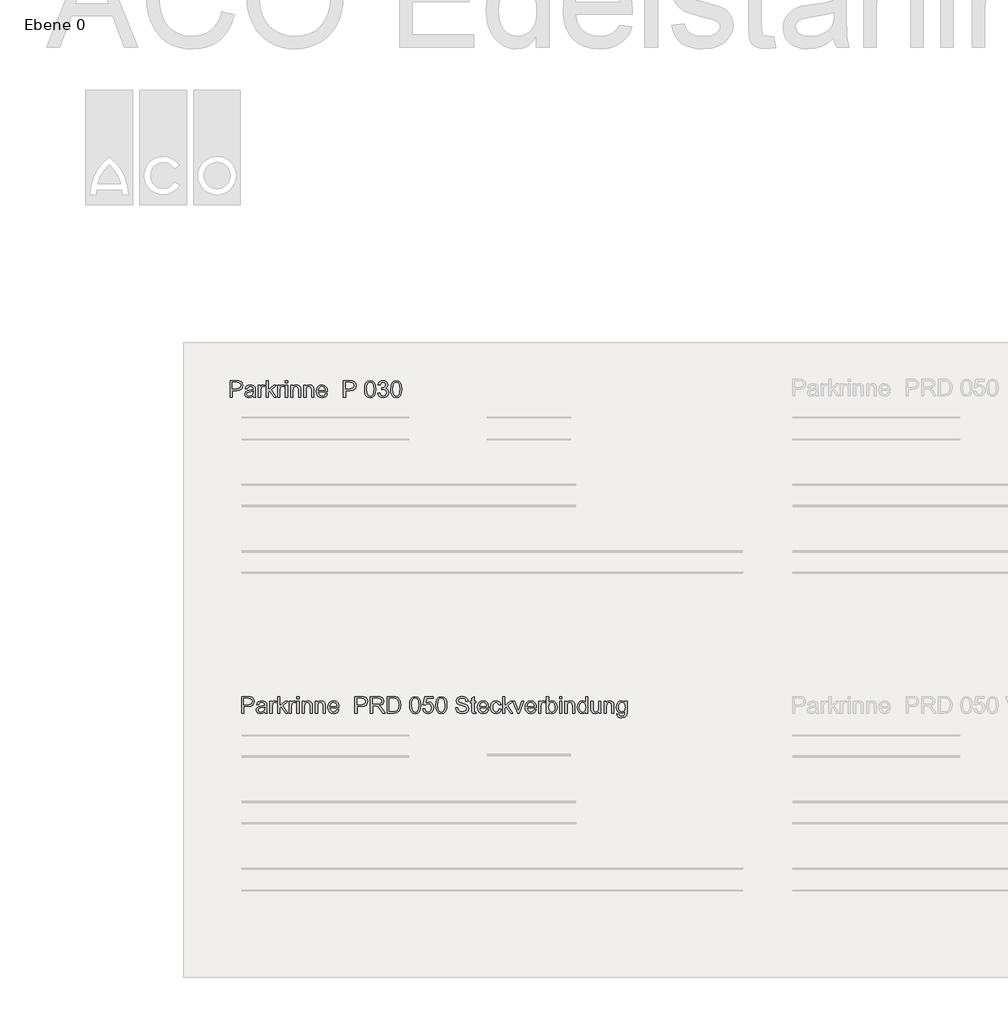
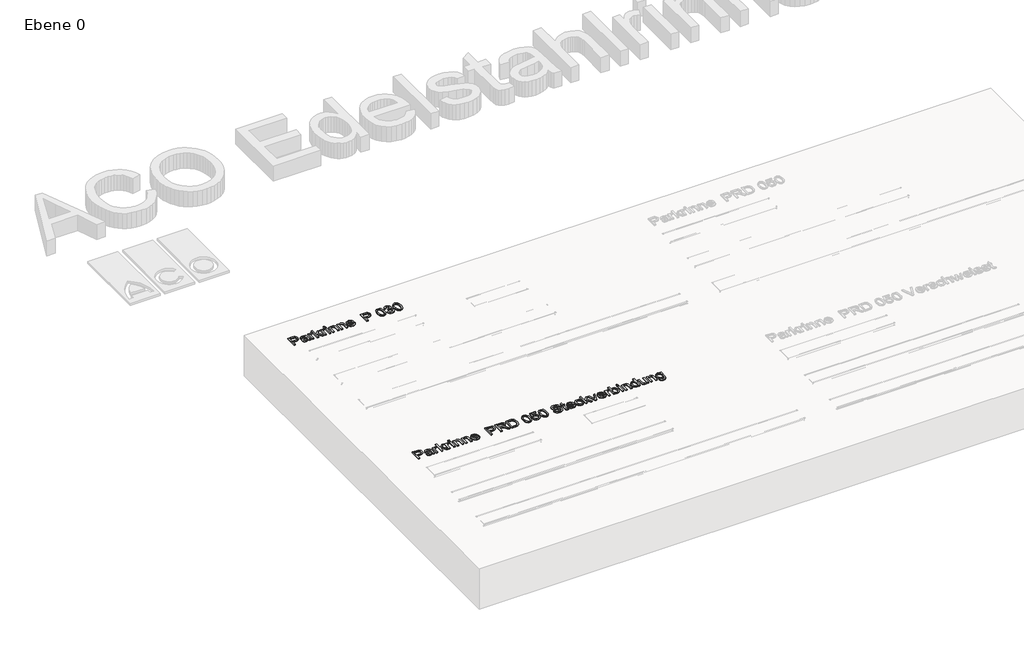
# One storey, part 6 of 8: 2 proxies.
"""IFC4 building model written with IfcOpenShell, lengths in millimetres."""

from ifc_helpers import new_model, si_unit, origin, origin_with_axes, place, context, project, spatial, polyline, outline, extrude, element, save

model = new_model("IFC4")

# Units and contexts
model_context = context("Model", 3, world=origin())
ifc_project = project(units=[si_unit("LENGTHUNIT", "METRE", prefix="MILLI")], contexts=[model_context])

# Site, building, storey
site = spatial("IfcSite", under=ifc_project)
building = spatial("IfcBuilding", under=site)
storey = spatial("IfcBuildingStorey", under=building, Name="Ebene 0", Elevation=0.0)

# Proxies
placement = place(None, origin())
element("IfcBuildingElementProxy", 1, Name="100mm ACO", ObjectType="100mm ACO", at=placement, inside=storey, context=model_context, shape_type="SweptSolid", body=[
    extrude(outline(polyline([(1726.6548451, 19922.750636), (1764.4322357, 19922.750636), (1779.8284141, 19921.8629546), (1791.8193887, 19917.2499219), (1800.1868769, 19907.1361752), (1803.0245469, 19893.7627461), (1800.7871533, 19881.2588082), (1794.0749725, 19871.5125033), (1782.4296116, 19865.2368871), (1765.3926778, 19863.145015), (1739.6935747, 19863.145015), (1739.6935747, 19822.1661507), (1726.6548451, 19822.1661507), (1726.6548451, 19922.750636)]), holes=[polyline([(1739.6935747, 19874.321069), (1765.9165553, 19874.321069), (1783.9685018, 19879.0868993), (1788.4814884, 19885.0441871), (1789.9858173, 19893.3843901), (1786.8571043, 19904.4294747), (1779.1735672, 19910.3958576), (1765.6255123, 19911.5745821), (1739.6935747, 19911.5745821), (1739.6935747, 19874.321069)])]), origin_with_axes(), (0.0, 0.0, 1.0), 10.0),
    extrude(outline(polyline([(1881.2569244, 19822.1661507), (1868.2181948, 19822.1661507), (1864.4928435, 19830.9556514), (1851.9270589, 19822.9665191), (1838.38628, 19820.303475), (1828.341656, 19821.7586904), (1820.6763091, 19826.1243364), (1815.8195279, 19832.8765357), (1814.2006008, 19841.4914106), (1815.7867856, 19849.8479847), (1820.5453398, 19856.5819938), (1829.2256994, 19861.5042597), (1842.5773002, 19864.4256046), (1853.9861886, 19866.171863), (1864.4928435, 19868.733042), (1864.1581439, 19876.8094872), (1862.2081554, 19881.713563), (1857.0130365, 19885.8027181), (1847.3795109, 19887.3597985), (1835.2284627, 19884.2019812), (1829.102006, 19872.4583933), (1816.0632765, 19874.0591302), (1819.6394682, 19883.9254903), (1826.351649, 19890.9978369), (1836.1925429, 19895.2543418), (1849.1548736, 19896.6731768), (1868.52379, 19892.7877518), (1876.1200142, 19883.4161649), (1877.5315731, 19869.2860238), (1877.5315731, 19852.6674645), (1878.0845549, 19832.2944495), (1881.2569244, 19822.1661507)]), holes=[polyline([(1864.4928435, 19854.7629746), (1864.4928435, 19859.4196637), (1841.0784284, 19854.0644712), (1830.6991049, 19849.9825922), (1827.2393304, 19841.6951407), (1830.9646817, 19833.0220572), (1841.704171, 19829.6168533), (1857.6096748, 19835.3212975), (1862.7720513, 19843.0339388), (1864.4928435, 19854.7629746)])]), origin_with_axes(), (0.0, 0.0, 1.0), 10.0),
    extrude(outline(polyline([(1935.2745183, 19893.8209547), (1931.1999153, 19885.4971229), (1922.643249, 19887.3597985), (1916.8151116, 19885.7226813), (1912.6022631, 19880.8113295), (1909.1970592, 19862.475616), (1909.1970592, 19822.1661507), (1896.1583296, 19822.1661507), (1896.1583296, 19894.8105012), (1907.3343835, 19894.8105012), (1907.3343835, 19884.0419075), (1914.3048651, 19893.5153595), (1922.7887706, 19896.6731768), (1935.2745183, 19893.8209547)])), origin_with_axes(), (0.0, 0.0, 1.0), 10.0),
    extrude(outline(polyline([(2004.1935175, 19822.1661507), (1991.2421009, 19822.1661507), (1964.9900159, 19860.3510016), (1955.7639505, 19851.9689611), (1955.7639505, 19822.1661507), (1942.7252209, 19822.1661507), (1942.7252209, 19922.750636), (1955.7639505, 19922.750636), (1955.7639505, 19866.4338017), (1986.9346634, 19894.8105012), (2002.7965108, 19894.8105012), (1972.9354917, 19867.6270783), (2004.1935175, 19822.1661507)])), origin_with_axes(), (0.0, 0.0, 1.0), 10.0),
    extrude(outline(polyline([(2050.7604089, 19893.8209547), (2046.6858059, 19885.4971229), (2038.1291396, 19887.3597985), (2032.3010021, 19885.7226813), (2028.0881537, 19880.8113295), (2024.6829497, 19862.475616), (2024.6829497, 19822.1661507), (2011.6442201, 19822.1661507), (2011.6442201, 19894.8105012), (2022.8202741, 19894.8105012), (2022.8202741, 19884.0419075), (2029.7907556, 19893.5153595), (2038.2746611, 19896.6731768), (2050.7604089, 19893.8209547)])), origin_with_axes(), (0.0, 0.0, 1.0), 10.0),
    extrude(outline(polyline([(2071.2498411, 19822.1661507), (2058.2111115, 19822.1661507), (2058.2111115, 19894.8105012), (2071.2498411, 19894.8105012), (2071.2498411, 19822.1661507)])), origin_with_axes(), (0.0, 0.0, 1.0), 10.0),
    extrude(outline(polyline([(2071.2498411, 19909.7119064), (2058.2111115, 19909.7119064), (2058.2111115, 19922.750636), (2071.2498411, 19922.750636), (2071.2498411, 19909.7119064)])), origin_with_axes(), (0.0, 0.0, 1.0), 10.0),
    extrude(outline(polyline([(2149.4822185, 19822.1661507), (2136.443489, 19822.1661507), (2136.443489, 19867.3942439), (2132.558064, 19883.0814654), (2121.7458139, 19887.3597985), (2111.6611715, 19884.6239937), (2104.9089722, 19876.9113523), (2102.9153272, 19862.8248677), (2102.9153272, 19822.1661507), (2089.8765976, 19822.1661507), (2089.8765976, 19894.8105012), (2101.0526515, 19894.8105012), (2101.0526515, 19884.7113066), (2111.0063246, 19893.6899853), (2124.3360972, 19896.6731768), (2135.7740899, 19894.606771), (2144.6217993, 19888.4221058), (2148.6527458, 19879.632605), (2149.4822185, 19867.0158879), (2149.4822185, 19822.1661507)])), origin_with_axes(), (0.0, 0.0, 1.0), 10.0),
    extrude(outline(polyline([(2227.714596, 19822.1661507), (2214.6758664, 19822.1661507), (2214.6758664, 19867.3942439), (2210.7904414, 19883.0814654), (2199.9781914, 19887.3597985), (2189.8935489, 19884.6239937), (2183.1413497, 19876.9113523), (2181.1477047, 19862.8248677), (2181.1477047, 19822.1661507), (2168.1089751, 19822.1661507), (2168.1089751, 19894.8105012), (2179.285029, 19894.8105012), (2179.285029, 19884.7113066), (2189.238702, 19893.6899853), (2202.5684747, 19896.6731768), (2214.0064674, 19894.606771), (2222.8541767, 19888.4221058), (2226.8851233, 19879.632605), (2227.714596, 19867.0158879), (2227.714596, 19822.1661507)])), origin_with_axes(), (0.0, 0.0, 1.0), 10.0),
    extrude(outline(polyline([(2309.6723248, 19855.6943124), (2255.6547308, 19855.6943124), (2257.7393268, 19844.5037064), (2262.4796908, 19836.3108439), (2269.3010128, 19831.2903509), (2277.6284827, 19829.6168533), (2289.3720706, 19833.3276524), (2296.6335952, 19844.5182585), (2309.6723248, 19843.0048345), (2305.2702983, 19833.3276524), (2298.2925407, 19826.182545), (2288.9937146, 19821.7732425), (2277.6284827, 19820.303475), (2262.9562739, 19822.8246356), (2251.8857231, 19830.3881174), (2244.9334317, 19842.3172453), (2242.6160012, 19857.9353441), (2244.8497568, 19873.564357), (2251.5510235, 19885.9336875), (2262.3123411, 19893.9883045), (2276.7262492, 19896.6731768), (2292.0351147, 19893.1952121), (2304.5354146, 19881.3497591), (2308.3880972, 19870.7521533), (2309.6723248, 19855.6943124)]), holes=[polyline([(2296.6335952, 19865.0076907), (2294.5380851, 19875.2233025), (2289.7649787, 19882.1210233), (2276.4061018, 19887.3597985), (2268.5042824, 19885.8027181), (2262.1449913, 19881.1314768), (2255.6547308, 19865.0076907), (2296.6335952, 19865.0076907)])]), origin_with_axes(), (0.0, 0.0, 1.0), 10.0),
    extrude(outline(polyline([(2404.6687832, 19922.750636), (2442.4461738, 19922.750636), (2457.8423522, 19921.8629546), (2469.8333267, 19917.2499219), (2478.200815, 19907.1361752), (2481.038485, 19893.7627461), (2478.8010914, 19881.2588082), (2472.0889105, 19871.5125033), (2460.4435497, 19865.2368871), (2443.4066159, 19863.145015), (2417.7075127, 19863.145015), (2417.7075127, 19822.1661507), (2404.6687832, 19822.1661507), (2404.6687832, 19922.750636)]), holes=[polyline([(2417.7075127, 19874.321069), (2443.9304934, 19874.321069), (2461.9824399, 19879.0868993), (2466.4954265, 19885.0441871), (2467.9997554, 19893.3843901), (2464.8710424, 19904.4294747), (2457.1875053, 19910.3958576), (2443.6394504, 19911.5745821), (2417.7075127, 19911.5745821), (2417.7075127, 19874.321069)])]), origin_with_axes(), (0.0, 0.0, 1.0), 10.0),
    extrude(outline(polyline([(2564.8297851, 19922.750636), (2579.511089, 19919.5455242), (2589.9977347, 19909.9301887), (2596.289722, 19893.9046296), (2598.3870512, 19871.4688469), (2596.2187803, 19848.8657144), (2589.7139677, 19832.9201921), (2579.1563803, 19823.4576543), (2564.8297851, 19820.303475), (2550.1739475, 19823.5013107), (2539.705492, 19833.094818), (2533.4244187, 19849.0839967), (2531.3307276, 19871.4688469), (2533.4989985, 19894.0683413), (2540.0038111, 19910.0611581), (2550.5468464, 19919.5782665), (2564.8297851, 19922.750636)]), holes=[polyline([(2564.8588894, 19829.6168533), (2573.7502552, 19832.0652531), (2580.1677549, 19839.4104526), (2584.0531799, 19852.3218508), (2585.3483216, 19871.4688469), (2583.0781856, 19895.8291519), (2576.2241213, 19909.0716116), (2564.7133679, 19913.4372577), (2555.8401922, 19910.9452014), (2549.4772631, 19903.4690325), (2545.6464087, 19890.4848735), (2544.3694572, 19871.4688469), (2546.6832496, 19847.2686155), (2553.5373139, 19833.9824993), (2564.8588894, 19829.6168533)])]), origin_with_axes(), (0.0, 0.0, 1.0), 10.0),
    extrude(outline(polyline([(2657.323273, 19876.0818795), (2665.7016754, 19872.8258352), (2671.7444572, 19867.0013357), (2676.6194286, 19851.386875), (2674.0800778, 19839.0066303), (2666.4620255, 19829.0493193), (2655.3077998, 19822.4899361), (2642.159929, 19820.303475), (2629.8087887, 19822.2316353), (2619.8223733, 19828.0161164), (2612.8555298, 19836.9656908), (2609.5631051, 19848.3891313), (2622.6018347, 19850.1062855), (2629.4704512, 19834.7246592), (2642.5964937, 19829.6168533), (2650.7129573, 19831.1521055), (2657.4833467, 19835.7578621), (2662.056361, 19842.5900982), (2663.5806991, 19850.8047888), (2662.15095, 19858.6083812), (2657.8617027, 19864.9640342), (2651.2659391, 19869.1877968), (2642.916641, 19870.5957177), (2633.7778886, 19868.733042), (2635.233104, 19879.9090959), (2643.1494755, 19880.4038692), (2649.6688403, 19882.8195266), (2655.6352232, 19888.3202407), (2657.9926721, 19897.1970543), (2653.1759093, 19909.1880289), (2642.0144075, 19913.4372577), (2630.212611, 19908.6059427), (2624.4645103, 19894.8105012), (2611.4257808, 19897.0515328), (2615.2857395, 19908.3039855), (2622.0343007, 19916.3331363), (2631.0311696, 19921.146261), (2641.6360515, 19922.750636), (2653.1686332, 19920.8479419), (2662.6202569, 19915.1398597), (2668.9286155, 19906.6814204), (2671.0314017, 19896.5276553), (2667.6043695, 19884.3911592), (2657.323273, 19876.0818795)])), origin_with_axes(), (0.0, 0.0, 1.0), 10.0),
    extrude(outline(polyline([(2721.29454, 19922.750636), (2735.9758439, 19919.5455242), (2746.4624896, 19909.9301887), (2752.754477, 19893.9046296), (2754.8518061, 19871.4688469), (2752.6835352, 19848.8657144), (2746.1787226, 19832.9201921), (2735.6211352, 19823.4576543), (2721.29454, 19820.303475), (2706.6387024, 19823.5013107), (2696.1702469, 19833.094818), (2689.8891737, 19849.0839967), (2687.7954826, 19871.4688469), (2689.9637534, 19894.0683413), (2696.4685661, 19910.0611581), (2707.0116013, 19919.5782665), (2721.29454, 19922.750636)]), holes=[polyline([(2721.3236443, 19829.6168533), (2730.2150102, 19832.0652531), (2736.6325099, 19839.4104526), (2740.5179349, 19852.3218508), (2741.8130765, 19871.4688469), (2739.5429406, 19895.8291519), (2732.6888763, 19909.0716116), (2721.1781228, 19913.4372577), (2712.3049472, 19910.9452014), (2705.942018, 19903.4690325), (2702.1111636, 19890.4848735), (2700.8342121, 19871.4688469), (2703.1480046, 19847.2686155), (2710.0020689, 19833.9824993), (2721.3236443, 19829.6168533)])]), origin_with_axes(), (0.0, 0.0, 1.0), 10.0),
])
element("IfcBuildingElementProxy", 2, Name="100mm ACO", ObjectType="100mm ACO", at=placement, inside=storey, context=model_context, shape_type="SweptSolid", body=[
    extrude(outline(polyline([(1795.4598965, 18031.1786176), (1833.2372871, 18031.1786176), (1848.6334655, 18030.2909363), (1860.6244401, 18025.6779036), (1868.9919284, 18015.5641569), (1871.8295983, 18002.1907278), (1869.5922047, 17989.6867898), (1862.8800239, 17979.940485), (1851.234663, 17973.6648688), (1834.1977292, 17971.5729967), (1808.4986261, 17971.5729967), (1808.4986261, 17930.5941323), (1795.4598965, 17930.5941323), (1795.4598965, 18031.1786176)]), holes=[polyline([(1808.4986261, 17982.7490506), (1834.7216068, 17982.7490506), (1852.7735532, 17987.5148809), (1857.2865398, 17993.4721688), (1858.7908687, 18001.8123718), (1855.6621557, 18012.8574563), (1847.9786186, 18018.8238393), (1834.4305637, 18020.0025637), (1808.4986261, 18020.0025637), (1808.4986261, 17982.7490506)])]), origin_with_axes(), (0.0, 0.0, 1.0), 10.0),
    extrude(outline(polyline([(1950.0619758, 17930.5941323), (1937.0232462, 17930.5941323), (1933.2978949, 17939.3836331), (1920.7321103, 17931.3945008), (1907.1913314, 17928.7314567), (1897.1467074, 17930.186672), (1889.4813606, 17934.5523181), (1884.6245793, 17941.3045173), (1883.0056522, 17949.9193922), (1884.591837, 17958.2759664), (1889.3503912, 17965.0099755), (1898.0307508, 17969.9322414), (1911.3823516, 17972.8535862), (1922.79124, 17974.5998446), (1933.2978949, 17977.1610237), (1932.9631954, 17985.2374689), (1931.0132068, 17990.1415446), (1925.818088, 17994.2306998), (1916.1845623, 17995.7877802), (1904.0335141, 17992.6299629), (1897.9070575, 17980.886375), (1884.8683279, 17982.4871119), (1888.4445196, 17992.353472), (1895.1567004, 17999.4258186), (1904.9975943, 18003.6823235), (1917.959925, 18005.1011585), (1937.3288414, 18001.2157335), (1944.9250656, 17991.8441466), (1946.3366245, 17977.7140055), (1946.3366245, 17961.0954461), (1946.8896063, 17940.7224312), (1950.0619758, 17930.5941323)]), holes=[polyline([(1933.2978949, 17963.1909563), (1933.2978949, 17967.8476454), (1909.8834798, 17962.4924529), (1899.5041563, 17958.4105738), (1896.0443818, 17950.1231224), (1899.7697331, 17941.4500389), (1910.5092224, 17938.0448349), (1926.4147263, 17943.7492791), (1931.5771027, 17951.4619205), (1933.2978949, 17963.1909563)])]), origin_with_axes(), (0.0, 0.0, 1.0), 10.0),
    extrude(outline(polyline([(2004.0795697, 18002.2489364), (2000.0049667, 17993.9251046), (1991.4483005, 17995.7877802), (1985.620163, 17994.1506629), (1981.4073145, 17989.2393111), (1978.0021106, 17970.9035976), (1978.0021106, 17930.5941323), (1964.963381, 17930.5941323), (1964.963381, 18003.2384828), (1976.1394349, 18003.2384828), (1976.1394349, 17992.4698892), (1983.1099165, 18001.9433412), (1991.593822, 18005.1011585), (2004.0795697, 18002.2489364)])), origin_with_axes(), (0.0, 0.0, 1.0), 10.0),
    extrude(outline(polyline([(2072.9985689, 17930.5941323), (2060.0471523, 17930.5941323), (2033.7950673, 17968.7789832), (2024.5690019, 17960.3969428), (2024.5690019, 17930.5941323), (2011.5302724, 17930.5941323), (2011.5302724, 18031.1786176), (2024.5690019, 18031.1786176), (2024.5690019, 17974.8617834), (2055.7397148, 18003.2384828), (2071.6015622, 18003.2384828), (2041.7405431, 17976.05506), (2072.9985689, 17930.5941323)])), origin_with_axes(), (0.0, 0.0, 1.0), 10.0),
    extrude(outline(polyline([(2119.5654603, 18002.2489364), (2115.4908573, 17993.9251046), (2106.934191, 17995.7877802), (2101.1060535, 17994.1506629), (2096.8932051, 17989.2393111), (2093.4880011, 17970.9035976), (2093.4880011, 17930.5941323), (2080.4492716, 17930.5941323), (2080.4492716, 18003.2384828), (2091.6253255, 18003.2384828), (2091.6253255, 17992.4698892), (2098.595807, 18001.9433412), (2107.0797125, 18005.1011585), (2119.5654603, 18002.2489364)])), origin_with_axes(), (0.0, 0.0, 1.0), 10.0),
    extrude(outline(polyline([(2140.0548925, 17930.5941323), (2127.0161629, 17930.5941323), (2127.0161629, 18003.2384828), (2140.0548925, 18003.2384828), (2140.0548925, 17930.5941323)])), origin_with_axes(), (0.0, 0.0, 1.0), 10.0),
    extrude(outline(polyline([(2140.0548925, 18018.1398881), (2127.0161629, 18018.1398881), (2127.0161629, 18031.1786176), (2140.0548925, 18031.1786176), (2140.0548925, 18018.1398881)])), origin_with_axes(), (0.0, 0.0, 1.0), 10.0),
    extrude(outline(polyline([(2218.28727, 17930.5941323), (2205.2485404, 17930.5941323), (2205.2485404, 17975.8222255), (2201.3631154, 17991.5094471), (2190.5508653, 17995.7877802), (2180.4662229, 17993.0519753), (2173.7140236, 17985.339334), (2171.7203786, 17971.2528493), (2171.7203786, 17930.5941323), (2158.681649, 17930.5941323), (2158.681649, 18003.2384828), (2169.8577029, 18003.2384828), (2169.8577029, 17993.1392883), (2179.811376, 18002.117967), (2193.1411486, 18005.1011585), (2204.5791413, 18003.0347527), (2213.4268507, 17996.8500874), (2217.4577972, 17988.0605867), (2218.28727, 17975.4438695), (2218.28727, 17930.5941323)])), origin_with_axes(), (0.0, 0.0, 1.0), 10.0),
    extrude(outline(polyline([(2296.5196474, 17930.5941323), (2283.4809178, 17930.5941323), (2283.4809178, 17975.8222255), (2279.5954928, 17991.5094471), (2268.7832428, 17995.7877802), (2258.6986004, 17993.0519753), (2251.9464011, 17985.339334), (2249.9527561, 17971.2528493), (2249.9527561, 17930.5941323), (2236.9140265, 17930.5941323), (2236.9140265, 18003.2384828), (2248.0900804, 18003.2384828), (2248.0900804, 17993.1392883), (2258.0437534, 18002.117967), (2271.3735261, 18005.1011585), (2282.8115188, 18003.0347527), (2291.6592281, 17996.8500874), (2295.6901747, 17988.0605867), (2296.5196474, 17975.4438695), (2296.5196474, 17930.5941323)])), origin_with_axes(), (0.0, 0.0, 1.0), 10.0),
    extrude(outline(polyline([(2378.4773762, 17964.1222941), (2324.4597822, 17964.1222941), (2326.5443782, 17952.931688), (2331.2847422, 17944.7388256), (2338.1060642, 17939.7183326), (2346.4335341, 17938.0448349), (2358.177122, 17941.7556341), (2365.4386466, 17952.9462402), (2378.4773762, 17951.4328162), (2374.0753498, 17941.7556341), (2367.0975921, 17934.6105267), (2357.798766, 17930.2012242), (2346.4335341, 17928.7314567), (2331.7613253, 17931.2526173), (2320.6907745, 17938.8160991), (2313.7384831, 17950.7452269), (2311.4210527, 17966.3633257), (2313.6548082, 17981.9923386), (2320.3560749, 17994.3616692), (2331.1173925, 18002.4162861), (2345.5313006, 18005.1011585), (2360.8401661, 18001.6231938), (2373.340466, 17989.7777408), (2377.1931487, 17979.180135), (2378.4773762, 17964.1222941)]), holes=[polyline([(2365.4386466, 17973.4356724), (2363.3431365, 17983.6512841), (2358.5700301, 17990.5490049), (2345.2111532, 17995.7877802), (2337.3093338, 17994.2306998), (2330.9500427, 17989.5594585), (2324.4597822, 17973.4356724), (2365.4386466, 17973.4356724)])]), origin_with_axes(), (0.0, 0.0, 1.0), 10.0),
    extrude(outline(polyline([(2473.4738346, 18031.1786176), (2511.2512252, 18031.1786176), (2526.6474036, 18030.2909363), (2538.6383781, 18025.6779036), (2547.0058664, 18015.5641569), (2549.8435364, 18002.1907278), (2547.6061428, 17989.6867898), (2540.8939619, 17979.940485), (2529.2486011, 17973.6648688), (2512.2116673, 17971.5729967), (2486.5125641, 17971.5729967), (2486.5125641, 17930.5941323), (2473.4738346, 17930.5941323), (2473.4738346, 18031.1786176)]), holes=[polyline([(2486.5125641, 17982.7490506), (2512.7355448, 17982.7490506), (2530.7874913, 17987.5148809), (2535.3004779, 17993.4721688), (2536.8048068, 18001.8123718), (2533.6760938, 18012.8574563), (2525.9925567, 18018.8238393), (2512.4445018, 18020.0025637), (2486.5125641, 18020.0025637), (2486.5125641, 17982.7490506)])]), origin_with_axes(), (0.0, 0.0, 1.0), 10.0),
    extrude(outline(polyline([(2654.6190419, 17930.5941323), (2639.5430108, 17930.5941323), (2620.6688677, 17960.6297772), (2612.8543612, 17969.8121861), (2605.0835112, 17974.352458), (2595.4499856, 17975.298348), (2579.6463468, 17975.298348), (2579.6463468, 17930.5941323), (2566.6076173, 17930.5941323), (2566.6076173, 18031.1786176), (2610.9916856, 18031.1786176), (2626.2568947, 18030.0289975), (2637.0545926, 18025.1976825), (2644.1997, 18015.9134086), (2646.7026704, 18004.111612), (2644.8763751, 17994.0015034), (2639.3974893, 17986.0814938), (2630.4770192, 17980.5043809), (2618.325971, 17977.4229624), (2628.0395335, 17969.892223), (2637.1564577, 17958.1559111), (2654.6190419, 17930.5941323)]), holes=[polyline([(2579.6463468, 17986.4744019), (2608.5760281, 17986.4744019), (2622.4442304, 17987.9587216), (2630.6079886, 17993.7359266), (2633.6639408, 18003.3840044), (2628.5852392, 18015.1566966), (2621.8585062, 18018.7910969), (2611.8357105, 18020.0025637), (2579.6463468, 18020.0025637), (2579.6463468, 17986.4744019)])]), origin_with_axes(), (0.0, 0.0, 1.0), 10.0),
    extrude(outline(polyline([(2667.1921026, 18031.1786176), (2701.4187677, 18031.1786176), (2716.9022591, 18030.2472798), (2729.3006939, 18025.7215601), (2739.6472751, 18015.8115435), (2746.6177566, 18001.3030464), (2749.1498314, 17981.4393568), (2746.5449959, 17961.1863971), (2738.7304894, 17944.8988993), (2724.5639679, 17934.170324), (2702.9030874, 17930.5941323), (2667.1921026, 17930.5941323), (2667.1921026, 18031.1786176)]), holes=[polyline([(2680.2308322, 17941.7701862), (2701.6807065, 17941.7701862), (2713.3951901, 17942.6142111), (2723.8581885, 17947.1690352), (2732.6331371, 17959.3346356), (2736.1111018, 17981.7303999), (2734.7723037, 17996.1079276), (2729.8536758, 18008.2880801), (2721.631709, 18016.335421), (2712.5802695, 18019.4495819), (2701.2732462, 18020.0025637), (2680.2308322, 18020.0025637), (2680.2308322, 17941.7701862)])]), origin_with_axes(), (0.0, 0.0, 1.0), 10.0),
    extrude(outline(polyline([(2834.8038071, 18031.1786176), (2849.4851111, 18027.9735058), (2859.9717567, 18018.3581704), (2866.2637441, 18002.3326113), (2868.3610732, 17979.8968285), (2866.1928023, 17957.293696), (2859.6879897, 17941.3481738), (2849.1304023, 17931.8856359), (2834.8038071, 17928.7314567), (2820.1479695, 17931.9292924), (2809.679514, 17941.5227996), (2803.3984408, 17957.5119783), (2801.3047497, 17979.8968285), (2803.4730206, 18002.496323), (2809.9778332, 18018.4891397), (2820.5208684, 18028.0062482), (2834.8038071, 18031.1786176)]), holes=[polyline([(2834.8329114, 17938.0448349), (2843.7242773, 17940.4932348), (2850.141777, 17947.8384343), (2854.027202, 17960.7498325), (2855.3223436, 17979.8968285), (2853.0522077, 18004.2571336), (2846.1981434, 18017.4995933), (2834.6873899, 18021.8652394), (2825.8142143, 18019.3731831), (2819.4512851, 18011.8970142), (2815.6204307, 17998.9128552), (2814.3434793, 17979.8968285), (2816.6572717, 17955.6965972), (2823.511336, 17942.410481), (2834.8329114, 17938.0448349)])]), origin_with_axes(), (0.0, 0.0, 1.0), 10.0),
    extrude(outline(polyline([(2897.1161286, 17993.0810796), (2915.8884067, 17997.6504559), (2927.4391786, 17995.4130623), (2937.4110418, 17988.7008814), (2944.2978485, 17978.2633493), (2946.5934507, 17964.8499018), (2944.2105355, 17950.9307669), (2937.0617901, 17939.2672158), (2926.0494479, 17931.3653965), (2912.0757425, 17928.7314567), (2900.2666699, 17930.5504759), (2890.1601992, 17936.0075334), (2882.8768464, 17945.0298686), (2879.5371271, 17957.5447207), (2892.5758567, 17958.5342671), (2899.3862646, 17943.1235365), (2912.221264, 17938.0448349), (2920.8361389, 17939.9293388), (2927.6465468, 17945.5828505), (2932.0776775, 17953.9939952), (2933.5547211, 17964.1513984), (2932.0740395, 17974.1778322), (2927.6319946, 17981.8468171), (2920.8616052, 17986.7145125), (2912.3958899, 17988.3370776), (2901.9983761, 17985.9723526), (2894.3221151, 17978.8781778), (2881.3998028, 17980.3916018), (2891.1497457, 18029.315942), (2942.8680994, 18029.315942), (2942.8680994, 18020.0025637), (2902.5004254, 18020.0025637), (2897.1161286, 17993.0810796)])), origin_with_axes(), (0.0, 0.0, 1.0), 10.0),
    extrude(outline(polyline([(2991.2685621, 18031.1786176), (3005.949866, 18027.9735058), (3016.4365116, 18018.3581704), (3022.728499, 18002.3326113), (3024.8258282, 17979.8968285), (3022.6575573, 17957.293696), (3016.1527446, 17941.3481738), (3005.5951572, 17931.8856359), (2991.2685621, 17928.7314567), (2976.6127244, 17931.9292924), (2966.144269, 17941.5227996), (2959.8631957, 17957.5119783), (2957.7695046, 17979.8968285), (2959.9377755, 18002.496323), (2966.4425881, 18018.4891397), (2976.9856234, 18028.0062482), (2991.2685621, 18031.1786176)]), holes=[polyline([(2991.2976664, 17938.0448349), (3000.1890322, 17940.4932348), (3006.6065319, 17947.8384343), (3010.4919569, 17960.7498325), (3011.7870986, 17979.8968285), (3009.5169626, 18004.2571336), (3002.6628983, 18017.4995933), (2991.1521449, 18021.8652394), (2982.2789692, 18019.3731831), (2975.9160401, 18011.8970142), (2972.0851857, 17998.9128552), (2970.8082342, 17979.8968285), (2973.1220266, 17955.6965972), (2979.9760909, 17942.410481), (2991.2976664, 17938.0448349)])]), origin_with_axes(), (0.0, 0.0, 1.0), 10.0),
    extrude(outline(polyline([(3138.4490431, 18001.3758072), (3136.4262937, 18010.3217436), (3131.9296783, 18016.7283292), (3124.9591967, 18020.5810118), (3115.5148491, 18021.8652394), (3099.7985232, 18017.8633971), (3095.2582513, 18012.9484073), (3093.7448274, 18006.2071221), (3098.2414428, 17996.0933754), (3116.5334998, 17989.7631886), (3136.4845023, 17984.2479224), (3149.7124099, 17975.2692437), (3153.8379454, 17968.1459645), (3155.2131239, 17958.9417274), (3152.6919633, 17947.0344278), (3145.1284815, 17937.3317794), (3133.512225, 17930.8815373), (3118.8327401, 17928.7314567), (3100.7444132, 17931.1180098), (3087.8657573, 17938.2776694), (3080.0075944, 17949.235441), (3076.9807465, 17963.0163304), (3090.0194761, 17964.1222941), (3092.66433, 17953.1827127), (3098.9108419, 17945.6847155), (3107.7985697, 17941.3518118), (3118.3670712, 17939.9075106), (3135.596821, 17944.6660648), (3140.530001, 17950.2722819), (3142.1743944, 17957.573825), (3140.4754304, 17964.9444908), (3135.3785387, 17970.0013641), (3111.9641236, 17977.4957232), (3097.6702708, 17981.8613693), (3088.025831, 17987.7695436), (3082.5360311, 17995.4421666), (3080.7060978, 18005.1011585), (3083.0017, 18016.1607952), (3089.8885067, 18025.1249218), (3100.7334991, 18031.0622004), (3114.9036586, 18033.0412933), (3129.5504012, 18031.0476483), (3141.0102221, 18025.0667131), (3148.5627898, 18015.4186353), (3151.4877726, 18002.4235622), (3138.4490431, 18001.3758072)])), origin_with_axes(), (0.0, 0.0, 1.0), 10.0),
    extrude(outline(polyline([(3199.9173396, 17929.5754816), (3190.7785872, 17928.7314567), (3179.1223122, 17931.6273352), (3174.6548011, 17938.9761728), (3173.8398805, 17951.3746076), (3173.8398805, 17993.9251046), (3164.5265022, 17993.9251046), (3164.5265022, 18003.2384828), (3173.8398805, 18003.2384828), (3173.8398805, 18021.6906135), (3186.8786101, 18029.315942), (3186.8786101, 18003.2384828), (3198.054664, 18003.2384828), (3198.054664, 17993.9251046), (3186.8786101, 17993.9251046), (3186.8786101, 17948.7552199), (3187.9263651, 17940.4895967), (3193.2524533, 17938.0448349), (3198.3166028, 17938.0448349), (3199.9173396, 17929.5754816)])), origin_with_axes(), (0.0, 0.0, 1.0), 10.0),
    extrude(outline(polyline([(3274.4243658, 17964.1222941), (3220.4067718, 17964.1222941), (3222.4913678, 17952.931688), (3227.2317319, 17944.7388256), (3234.0530538, 17939.7183326), (3242.3805237, 17938.0448349), (3254.1241116, 17941.7556341), (3261.3856362, 17952.9462402), (3274.4243658, 17951.4328162), (3270.0223394, 17941.7556341), (3263.0445817, 17934.6105267), (3253.7457556, 17930.2012242), (3242.3805237, 17928.7314567), (3227.7083149, 17931.2526173), (3216.6377641, 17938.8160991), (3209.6854727, 17950.7452269), (3207.3680423, 17966.3633257), (3209.6017978, 17981.9923386), (3216.3030645, 17994.3616692), (3227.0643821, 18002.4162861), (3241.4782902, 18005.1011585), (3256.7871557, 18001.6231938), (3269.2874556, 17989.7777408), (3273.1401383, 17979.180135), (3274.4243658, 17964.1222941)]), holes=[polyline([(3261.3856362, 17973.4356724), (3259.2901261, 17983.6512841), (3254.5170198, 17990.5490049), (3241.1581428, 17995.7877802), (3233.2563234, 17994.2306998), (3226.8970323, 17989.5594585), (3220.4067718, 17973.4356724), (3261.3856362, 17973.4356724)])]), origin_with_axes(), (0.0, 0.0, 1.0), 10.0),
    extrude(outline(polyline([(3350.7940676, 17955.1872718), (3346.7412929, 17943.3127145), (3339.5307008, 17935.1052999), (3330.1518378, 17930.3249175), (3319.5942504, 17928.7314567), (3305.1948945, 17931.3362921), (3294.4772334, 17939.1507986), (3287.8196231, 17951.2654664), (3285.6004197, 17966.770786), (3290.6645692, 17989.5885628), (3303.3394949, 18001.6231938), (3319.3323117, 18005.1011585), (3329.9444696, 18003.6786855), (3338.9049582, 17999.4112664), (3345.4788935, 17992.3862143), (3348.931392, 17982.690842), (3335.8926624, 17980.886375), (3329.9553837, 17992.0478767), (3319.4778332, 17995.7877802), (3310.4700501, 17993.8923622), (3303.9361332, 17988.2061082), (3299.9633953, 17979.1219264), (3298.6391493, 17967.0327248), (3299.9670333, 17954.732517), (3303.9506854, 17945.5974026), (3310.4373078, 17939.9329769), (3319.274103, 17938.0448349), (3331.9490288, 17942.7015241), (3337.755338, 17956.6715915), (3350.7940676, 17955.1872718)])), origin_with_axes(), (0.0, 0.0, 1.0), 10.0),
    extrude(outline(polyline([(3419.7130668, 17930.5941323), (3406.7616502, 17930.5941323), (3380.5095652, 17968.7789832), (3371.2834998, 17960.3969428), (3371.2834998, 17930.5941323), (3358.2447702, 17930.5941323), (3358.2447702, 18031.1786176), (3371.2834998, 18031.1786176), (3371.2834998, 17974.8617834), (3402.4542127, 18003.2384828), (3418.3160601, 18003.2384828), (3388.455041, 17976.05506), (3419.7130668, 17930.5941323)])), origin_with_axes(), (0.0, 0.0, 1.0), 10.0),
    extrude(outline(polyline([(3484.9067147, 18003.2384828), (3458.9165685, 17930.5941323), (3447.7114102, 17930.5941323), (3419.7130668, 18003.2384828), (3431.4712069, 18003.2384828), (3447.0420112, 17961.1827591), (3452.3098908, 17945.0007643), (3456.3553895, 17956.7880087), (3473.1485746, 18003.2384828), (3484.9067147, 18003.2384828)])), origin_with_axes(), (0.0, 0.0, 1.0), 10.0),
    extrude(outline(polyline([(3559.4137409, 17964.1222941), (3505.3961469, 17964.1222941), (3507.4807429, 17952.931688), (3512.2211069, 17944.7388256), (3519.0424289, 17939.7183326), (3527.3698988, 17938.0448349), (3539.1134867, 17941.7556341), (3546.3750113, 17952.9462402), (3559.4137409, 17951.4328162), (3555.0117144, 17941.7556341), (3548.0339568, 17934.6105267), (3538.7351307, 17930.2012242), (3527.3698988, 17928.7314567), (3512.69769, 17931.2526173), (3501.6271391, 17938.8160991), (3494.6748478, 17950.7452269), (3492.3574173, 17966.3633257), (3494.5911729, 17981.9923386), (3501.2924396, 17994.3616692), (3512.0537572, 18002.4162861), (3526.4676652, 18005.1011585), (3541.7765308, 18001.6231938), (3554.2768307, 17989.7777408), (3558.1295133, 17979.180135), (3559.4137409, 17964.1222941)]), holes=[polyline([(3546.3750113, 17973.4356724), (3544.2795012, 17983.6512841), (3539.5063948, 17990.5490049), (3526.1475179, 17995.7877802), (3518.2456985, 17994.2306998), (3511.8864074, 17989.5594585), (3505.3961469, 17973.4356724), (3546.3750113, 17973.4356724)])]), origin_with_axes(), (0.0, 0.0, 1.0), 10.0),
    extrude(outline(polyline([(3613.4313348, 18002.2489364), (3609.3567319, 17993.9251046), (3600.8000656, 17995.7877802), (3594.9719281, 17994.1506629), (3590.7590796, 17989.2393111), (3587.3538757, 17970.9035976), (3587.3538757, 17930.5941323), (3574.3151461, 17930.5941323), (3574.3151461, 18003.2384828), (3585.4912, 18003.2384828), (3585.4912, 17992.4698892), (3592.4616816, 18001.9433412), (3600.9455871, 18005.1011585), (3613.4313348, 18002.2489364)])), origin_with_axes(), (0.0, 0.0, 1.0), 10.0),
    extrude(outline(polyline([(3634.0953929, 17996.049719), (3642.5065376, 18002.8382986), (3653.6534873, 18005.1011585), (3666.1501491, 18002.5399795), (3675.8746257, 17994.8564424), (3682.1284137, 17983.0400937), (3684.2130097, 17968.0804799), (3681.9210455, 17951.2472762), (3675.045153, 17938.8743077), (3665.098756, 17931.2671694), (3653.5952786, 17928.7314567), (3642.5138137, 17931.2198749), (3634.1827058, 17938.6851297), (3633.920767, 17930.5941323), (3620.8820375, 17930.5941323), (3620.8820375, 18031.1786176), (3633.920767, 18031.1786176), (3634.0953929, 17996.049719)]), holes=[polyline([(3652.3728977, 17938.0448349), (3659.8345145, 17939.947529), (3665.8627441, 17945.6556112), (3669.8463961, 17954.8052778), (3671.1742801, 17967.0327248), (3666.2847565, 17988.0314824), (3660.4638951, 17993.8487057), (3652.780358, 17995.7877802), (3645.1113731, 17993.7868591), (3639.1013337, 17987.7840958), (3633.920767, 17967.527498), (3636.0744858, 17950.4723741), (3642.5647462, 17941.7265298), (3652.3728977, 17938.0448349)])]), origin_with_axes(), (0.0, 0.0, 1.0), 10.0),
    extrude(outline(polyline([(3712.1531445, 17930.5941323), (3699.1144149, 17930.5941323), (3699.1144149, 18003.2384828), (3712.1531445, 18003.2384828), (3712.1531445, 17930.5941323)])), origin_with_axes(), (0.0, 0.0, 1.0), 10.0),
    extrude(outline(polyline([(3712.1531445, 18018.1398881), (3699.1144149, 18018.1398881), (3699.1144149, 18031.1786176), (3712.1531445, 18031.1786176), (3712.1531445, 18018.1398881)])), origin_with_axes(), (0.0, 0.0, 1.0), 10.0),
    extrude(outline(polyline([(3790.385522, 17930.5941323), (3777.3467924, 17930.5941323), (3777.3467924, 17975.8222255), (3773.4613674, 17991.5094471), (3762.6491173, 17995.7877802), (3752.5644749, 17993.0519753), (3745.8122757, 17985.339334), (3743.8186306, 17971.2528493), (3743.8186306, 17930.5941323), (3730.7799011, 17930.5941323), (3730.7799011, 18003.2384828), (3741.955955, 18003.2384828), (3741.955955, 17993.1392883), (3751.909628, 18002.117967), (3765.2394007, 18005.1011585), (3776.6773933, 18003.0347527), (3785.5251027, 17996.8500874), (3789.5560492, 17988.0605867), (3790.385522, 17975.4438695), (3790.385522, 17930.5941323)])), origin_with_axes(), (0.0, 0.0, 1.0), 10.0),
    extrude(outline(polyline([(3868.6178995, 17930.5941323), (3855.5791699, 17930.5941323), (3855.5791699, 17938.8015469), (3847.1753012, 17931.2489792), (3835.7300324, 17928.7314567), (3823.7936285, 17931.3872247), (3814.0036672, 17939.3545287), (3807.4661122, 17951.5565095), (3805.2869272, 17966.9163076), (3807.3751612, 17982.7490506), (3813.6398633, 17994.8564424), (3823.3315976, 18002.5399795), (3835.7009281, 18005.1011585), (3847.0516079, 18002.8019182), (3855.3172311, 17995.9041974), (3855.5791699, 18031.1786176), (3868.6178995, 18031.1786176), (3868.6178995, 17930.5941323)]), holes=[polyline([(3837.2434564, 17938.0448349), (3844.3376313, 17939.761989), (3850.2530817, 17944.9134514), (3854.2476478, 17953.5574306), (3855.5791699, 17965.7521353), (3850.7041984, 17987.6385742), (3844.7705578, 17993.7504787), (3836.7195789, 17995.7877802), (3828.7268085, 17993.7941352), (3822.9677938, 17987.8132001), (3818.3256568, 17966.8872033), (3820.8286272, 17951.039908), (3827.8136609, 17941.3045173), (3837.2434564, 17938.0448349)])]), origin_with_axes(), (0.0, 0.0, 1.0), 10.0),
    extrude(outline(polyline([(3946.8502769, 17930.5941323), (3935.674223, 17930.5941323), (3935.674223, 17941.1589958), (3925.3712983, 17931.8383414), (3912.3325687, 17928.7314567), (3898.1296668, 17932.26763), (3889.427479, 17942.0030207), (3887.244656, 17958.0977025), (3887.244656, 18003.2384828), (3900.2833856, 18003.2384828), (3900.2833856, 17962.026784), (3901.1856191, 17947.8529864), (3905.9005168, 17940.8097441), (3914.9810607, 17938.0448349), (3927.8015079, 17942.9925671), (3932.3090375, 17950.5887913), (3933.8115473, 17963.4819993), (3933.8115473, 18003.2384828), (3946.8502769, 18003.2384828), (3946.8502769, 17930.5941323)])), origin_with_axes(), (0.0, 0.0, 1.0), 10.0),
    extrude(outline(polyline([(4025.0826544, 17930.5941323), (4012.0439248, 17930.5941323), (4012.0439248, 17975.8222255), (4008.1584998, 17991.5094471), (3997.3462497, 17995.7877802), (3987.2616073, 17993.0519753), (3980.5094081, 17985.339334), (3978.515763, 17971.2528493), (3978.515763, 17930.5941323), (3965.4770335, 17930.5941323), (3965.4770335, 18003.2384828), (3976.6530874, 18003.2384828), (3976.6530874, 17993.1392883), (3986.6067604, 18002.117967), (3999.9365331, 18005.1011585), (4011.3745258, 18003.0347527), (4020.2222351, 17996.8500874), (4024.2531816, 17988.0605867), (4025.0826544, 17975.4438695), (4025.0826544, 17930.5941323)])), origin_with_axes(), (0.0, 0.0, 1.0), 10.0),
    extrude(outline(polyline([(4103.3150319, 17941.3045173), (4100.2445275, 17918.530397), (4089.3158602, 17906.8304656), (4070.5435821, 17902.6539975), (4059.262025, 17904.0691944), (4050.0395977, 17908.3147852), (4043.8949509, 17915.783678), (4041.8467353, 17926.868781), (4054.8854649, 17924.8023752), (4059.4839454, 17915.1834017), (4070.7473122, 17911.9673758), (4084.1352935, 17915.6781749), (4089.3304123, 17924.7150623), (4090.2763023, 17939.4127374), (4081.4504212, 17932.7987836), (4070.5726864, 17930.5941323), (4058.1087669, 17933.220796), (4048.3661001, 17941.1007872), (4042.0795697, 17952.9826205), (4039.9840596, 17967.6148109), (4041.9777047, 17982.3415903), (4047.9586398, 17994.3907735), (4057.461196, 18002.4235622), (4070.0197045, 18005.1011585), (4081.1593781, 18002.7073292), (4090.0143635, 17995.5258414), (4090.2763023, 18003.2384828), (4103.3150319, 18003.2384828), (4103.3150319, 17941.3045173)]), holes=[polyline([(4072.522675, 17939.9075106), (4079.7769235, 17941.5227996), (4086.172595, 17946.3686668), (4090.6473822, 17955.012646), (4092.1389779, 17968.0222712), (4090.7165049, 17979.8786383), (4086.4490859, 17988.6135685), (4080.0861568, 17993.9942273), (4072.3771534, 17995.7877802), (4064.6099415, 17993.9505708), (4058.4216382, 17988.4389427), (4054.3725014, 17979.7331168), (4053.0227892, 17968.3133143), (4054.4379861, 17955.5219713), (4058.6835769, 17946.7179184), (4064.9737453, 17941.6101125), (4072.522675, 17939.9075106)])]), origin_with_axes(), (0.0, 0.0, 1.0), 10.0),
])

save(model, "model.ifc")
